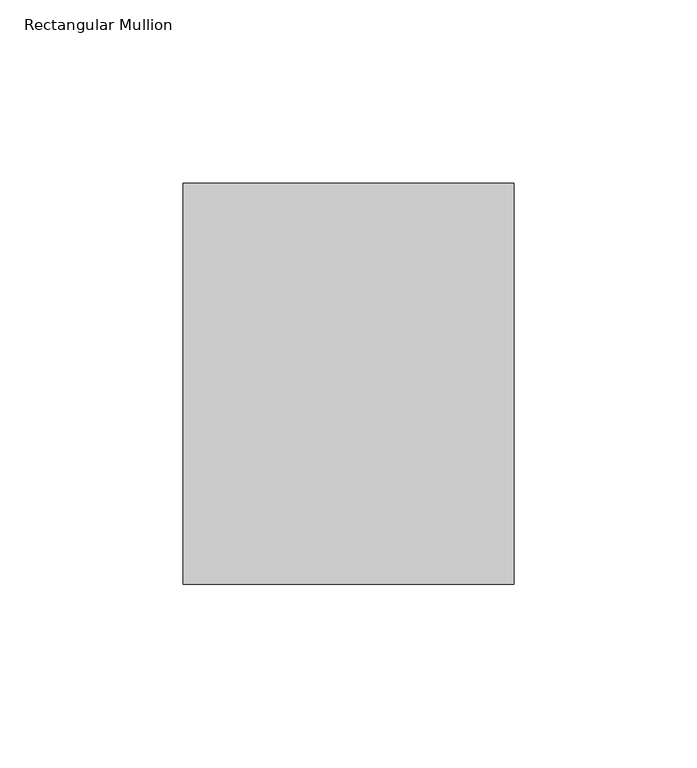
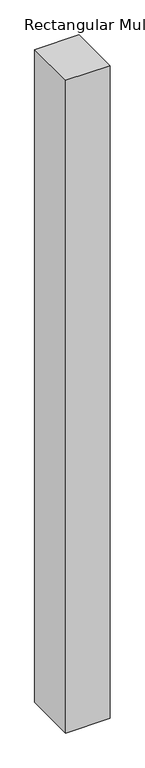
"""IFC4 building model written with IfcOpenShell, lengths in millimetres: member geometry, Rectangular Mullion."""

from ifc_helpers import new_model, si_unit, frame, origin, place, context, project, spatial, polyline, outline, extrude, source, transform, mapped, element, save


def rectangular_mullion_54e72a39(model_context):
    return source(origin(), model_context, "Body", "SweptSolid", [
        extrude(outline(polyline([(45.24375, -74.6125), (-45.24375, -74.6125), (-45.24375, 34.925), (45.24375, 34.925), (45.24375, -74.6125)])), frame((0.0, 0.0, -1408.90625), z_axis=(0.0, 0.0, 1.0), x_axis=(1.0, 0.0, 0.0)), (0.0, 0.0, 1.0), 1408.90625),
    ])


if __name__ == "__main__":
    model = new_model("IFC4")
    model_context = context("Model", 3, world=origin())
    ifc_project = project(units=[si_unit("LENGTHUNIT", "METRE", prefix="MILLI")], contexts=[model_context])
    site = spatial("IfcSite", under=ifc_project)
    building = spatial("IfcBuilding", under=site)
    placement = place(None, origin())
    rectangular_mullion_shape = rectangular_mullion_54e72a39(model_context)
    element("IfcMember", 1, ObjectType="Rectangular Mullion", at=placement, inside=building, context=model_context, shape_type="MappedRepresentation", body=[
        mapped(rectangular_mullion_shape, transform((0.0, 0.0, 0.0), x_axis=(1.0, 0.0, 0.0), y_axis=(0.0, 1.0, 0.0), z_axis=(0.0, 0.0, 1.0))),
    ])
    save(model, "model.ifc")
